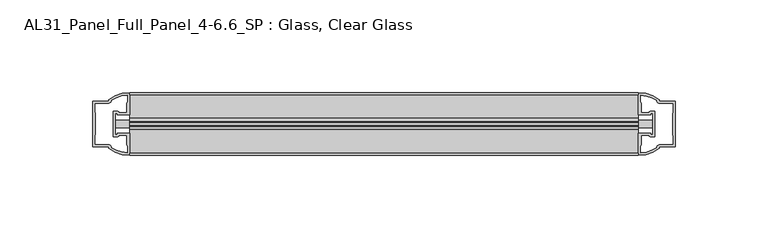
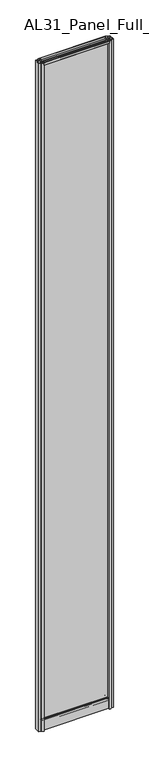
"""IFC4 building model written with IfcOpenShell, lengths in millimetres: plate geometry, AL31_Panel_Full_Panel_4-6.6_SP : Glass, Clear Glass."""

from ifc_helpers import new_model, si_unit, point, frame, frame_2d, origin, origin_with_axes, place, context, project, spatial, polyline, circle_curve, trimmed, segment, composite_curve, outline, extrude, source, transform, mapped, element, save


def al31_panel_full_panel_4_6_6_sp_glass_clear_glass_d6c4225a(model_context):
    return source(origin(), model_context, "Body", "SweptSolid", [
        extrude(outline(composite_curve([segment(polyline([(-1.4, 2968.8980762), (-0.85, 2967.9454483)]), True, "CONTINUOUS"), segment(trimmed(circle_curve(frame_2d((0.1, 2966.3)), 1.9), [point((-0.85, 2967.9454483))], [point((1.05, 2967.9454483))], True, "CARTESIAN"), True, "CONTINUOUS"), segment(polyline([(1.05, 2967.9454483), (1.6, 2968.8980762)]), True, "CONTINUOUS"), segment(trimmed(circle_curve(frame_2d((0.1, 2966.3)), 3.0), [point((1.6, 2968.8980762))], [point((2.5718414, 2964.6))], False, "CARTESIAN"), True, "CONTINUOUS"), segment(polyline([(2.5718414, 2964.6), (15.7, 2964.6), (15.7, 2974.0), (17.0, 2974.0), (17.0, 2963.5), (6.7024688, 2963.5), (6.7024688, 2962.7), (6.1968782, 2960.7785039), (6.1968782, 2956.1), (5.0, 2956.1), (5.0, 2961.4339746), (5.5, 2962.3), (5.5, 2963.5), (-5.5, 2963.5), (-5.5, 2962.3), (-5.0, 2961.4339746), (-5.0, 2956.1), (-6.1968782, 2956.1), (-6.1968782, 2960.7785039), (-6.7024688, 2962.7), (-6.7024688, 2963.5), (-17.0, 2963.5), (-17.0, 2974.0), (-15.7, 2974.0), (-15.7, 2964.6), (-2.3718414, 2964.6)]), True, "CONTINUOUS"), segment(trimmed(circle_curve(frame_2d((0.1, 2966.3)), 3.0), [point((-2.3718414, 2964.6))], [point((-1.4, 2968.8980762))], False, "CARTESIAN"), True, "CONTINUOUS")], self_intersect=False)), frame((-137.5000505, 0.0, 0.0), z_axis=(1.0, 0.0, 0.0), x_axis=(0.0, 1.0, 0.0)), (0.0, 0.0, 1.0), 275.0001009),
        extrude(outline(composite_curve([segment(polyline([(-145.3414718, -5.9), (-144.1414718, -5.9), (-144.1414718, -5.0), (-137.5000505, -5.0), (-137.5000505, -17.0001453)]), True, "CONTINUOUS"), segment(trimmed(circle_curve(frame_2d((-137.1353989, 2.9965302)), 20.0), [point((-137.5000505, -17.0001453))], [point((-148.8558857, -13.2093388))], False, "CARTESIAN"), True, "CONTINUOUS"), segment(polyline([(-148.8558857, -13.2093388), (-148.8558857, -12.3279343), (-157.5000505, -12.3279343), (-157.5000505, 12.3720657), (-148.8558857, 12.3720657), (-148.8558857, 13.2095249)]), True, "CONTINUOUS"), segment(trimmed(circle_curve(frame_2d((-137.1353989, -2.9963441)), 20.0), [point((-148.8558857, 13.2095249))], [point((-137.5000505, 17.0003314))], False, "CARTESIAN"), True, "CONTINUOUS"), segment(polyline([(-137.5000505, 17.0003314), (-137.5000505, 5.0), (-144.1414718, 5.0), (-144.1414718, 5.9), (-145.3414718, 5.9), (-145.3414718, -5.9)]), True, "CONTINUOUS")], self_intersect=False), holes=[composite_curve([segment(trimmed(circle_curve(frame_2d((-144.3414718, 5.7)), 1.5), [point((-144.3414718, 7.2))], [point((-142.9862175, 6.3428731))], False, "CARTESIAN"), True, "CONTINUOUS"), segment(polyline([(-142.9862175, 6.3428731), (-139.2414718, 6.3428731), (-139.2414718, 10.939223), (-138.802132, 11.9998832), (-138.802132, 15.6499817)]), True, "CONTINUOUS"), segment(trimmed(circle_curve(frame_2d((-137.1353989, -2.9755921)), 18.7), [point((-138.802132, 15.6499817))], [point((-147.1421766, 12.8216987))], True, "CARTESIAN"), True, "CONTINUOUS"), segment(trimmed(circle_curve(frame_2d((-148.9414718, 12.8720657)), 1.8), [point((-147.1421766, 12.8216987))], [point((-148.9414718, 11.0720657))], False, "CARTESIAN"), True, "CONTINUOUS"), segment(polyline([(-148.9414718, 11.0720657), (-156.0828931, 11.0720657), (-156.0828931, 6.5019606), (-155.6414718, 5.439223), (-155.6414718, -5.3950916), (-156.1414718, -6.3879987), (-156.1414718, -11.0279343), (-148.9414718, -11.0279343)]), True, "CONTINUOUS"), segment(trimmed(circle_curve(frame_2d((-148.9414718, -12.8279343)), 1.8), [point((-148.9414718, -11.0279343))], [point((-147.1421766, -12.7775673))], False, "CARTESIAN"), True, "CONTINUOUS"), segment(trimmed(circle_curve(frame_2d((-137.1353989, 3.0197235)), 18.7), [point((-147.1421766, -12.7775673))], [point((-138.802132, -15.6058503))], True, "CARTESIAN"), True, "CONTINUOUS"), segment(polyline([(-138.802132, -15.6058503), (-138.802132, -11.9557518), (-139.2414718, -10.8950916), (-139.2414718, -6.2991308), (-142.9663201, -6.2991308)]), True, "CONTINUOUS"), segment(trimmed(circle_curve(frame_2d((-144.3414718, -5.7)), 1.5), [point((-142.9663201, -6.2991308))], [point((-144.3414718, -7.2))], False, "CARTESIAN"), True, "CONTINUOUS"), segment(polyline([(-144.3414718, -7.2), (-146.6414718, -7.2), (-146.6414718, 7.2), (-144.3414718, 7.2)]), True, "CONTINUOUS")], self_intersect=False)]), origin_with_axes(), (0.0, 0.0, 1.0), 2974.0),
        extrude(outline(composite_curve([segment(polyline([(145.3414718, 5.9), (144.1414718, 5.9), (144.1414718, 5.0), (137.5000505, 5.0), (137.5000505, 17.0001453)]), True, "CONTINUOUS"), segment(trimmed(circle_curve(frame_2d((137.1353989, -2.9965302)), 20.0), [point((137.5000505, 17.0001453))], [point((148.8558857, 13.2093388))], False, "CARTESIAN"), True, "CONTINUOUS"), segment(polyline([(148.8558857, 13.2093388), (148.8558857, 12.3279343), (157.5000505, 12.3279343), (157.5000505, -12.3720657), (148.8558857, -12.3720657), (148.8558857, -13.2095249)]), True, "CONTINUOUS"), segment(trimmed(circle_curve(frame_2d((137.1353989, 2.9963441)), 20.0), [point((148.8558857, -13.2095249))], [point((137.5000505, -17.0003314))], False, "CARTESIAN"), True, "CONTINUOUS"), segment(polyline([(137.5000505, -17.0003314), (137.5000505, -5.0), (144.1414718, -5.0), (144.1414718, -5.9), (145.3414718, -5.9), (145.3414718, 5.9)]), True, "CONTINUOUS")], self_intersect=False), holes=[composite_curve([segment(trimmed(circle_curve(frame_2d((144.3414718, -5.7)), 1.5), [point((144.3414718, -7.2))], [point((142.9862175, -6.3428731))], False, "CARTESIAN"), True, "CONTINUOUS"), segment(polyline([(142.9862175, -6.3428731), (139.2414718, -6.3428731), (139.2414718, -10.939223), (138.802132, -11.9998832), (138.802132, -15.6499817)]), True, "CONTINUOUS"), segment(trimmed(circle_curve(frame_2d((137.1353989, 2.9755921)), 18.7), [point((138.802132, -15.6499817))], [point((147.1421766, -12.8216987))], True, "CARTESIAN"), True, "CONTINUOUS"), segment(trimmed(circle_curve(frame_2d((148.9414718, -12.8720657)), 1.8), [point((147.1421766, -12.8216987))], [point((148.9414718, -11.0720657))], False, "CARTESIAN"), True, "CONTINUOUS"), segment(polyline([(148.9414718, -11.0720657), (156.0828931, -11.0720657), (156.0828931, -6.5019606), (155.6414718, -5.439223), (155.6414718, 5.3950916), (156.1414718, 6.3879987), (156.1414718, 11.0279343), (148.9414718, 11.0279343)]), True, "CONTINUOUS"), segment(trimmed(circle_curve(frame_2d((148.9414718, 12.8279343)), 1.8), [point((148.9414718, 11.0279343))], [point((147.1421766, 12.7775673))], False, "CARTESIAN"), True, "CONTINUOUS"), segment(trimmed(circle_curve(frame_2d((137.1353989, -3.0197235)), 18.7), [point((147.1421766, 12.7775673))], [point((138.802132, 15.6058503))], True, "CARTESIAN"), True, "CONTINUOUS"), segment(polyline([(138.802132, 15.6058503), (138.802132, 11.9557518), (139.2414718, 10.8950916), (139.2414718, 6.2991308), (142.9663201, 6.2991308)]), True, "CONTINUOUS"), segment(trimmed(circle_curve(frame_2d((144.3414718, 5.7)), 1.5), [point((142.9663201, 6.2991308))], [point((144.3414718, 7.2))], False, "CARTESIAN"), True, "CONTINUOUS"), segment(polyline([(144.3414718, 7.2), (146.6414718, 7.2), (146.6414718, -7.2), (144.3414718, -7.2)]), True, "CONTINUOUS")], self_intersect=False)]), origin_with_axes(), (0.0, 0.0, 1.0), 2974.0),
        extrude(outline(composite_curve([segment(trimmed(circle_curve(frame_2d((-8.4, 34.8)), 1.0), [point((-8.4, 35.8))], [point((-9.4, 34.8))], True, "CARTESIAN"), True, "CONTINUOUS"), segment(polyline([(-9.4, 34.8), (-9.4, 33.5), (-5.0000303, 33.5), (-5.0000303, 32.3), (-9.4, 32.3), (-9.4, 0.0), (-10.6, 0.0), (-10.6, 47.3)]), True, "CONTINUOUS"), segment(trimmed(circle_curve(frame_2d((-8.6, 47.3)), 2.0), [point((-10.6, 47.3))], [point((-8.6, 49.3))], False, "CARTESIAN"), True, "CONTINUOUS"), segment(polyline([(-8.6, 49.3), (-5.0, 49.3), (-5.0, 41.9), (5.0, 41.9), (5.0, 49.3), (8.6, 49.3)]), True, "CONTINUOUS"), segment(trimmed(circle_curve(frame_2d((8.6, 47.3)), 2.0), [point((8.6, 49.3))], [point((10.6, 47.3))], False, "CARTESIAN"), True, "CONTINUOUS"), segment(polyline([(10.6, 47.3), (10.6, 0.0), (9.4, 0.0), (9.4, 32.3), (4.9999697, 32.3), (4.9999697, 33.5), (9.4, 33.5), (9.4, 34.8)]), True, "CONTINUOUS"), segment(trimmed(circle_curve(frame_2d((8.4, 34.8)), 1.0), [point((9.4, 34.8))], [point((8.4, 35.8))], True, "CARTESIAN"), True, "CONTINUOUS"), segment(polyline([(8.4, 35.8), (-8.4, 35.8)]), True, "CONTINUOUS")], self_intersect=False), holes=[composite_curve([segment(trimmed(circle_curve(frame_2d((5.5024688, 41.8)), 1.0), [point((6.5024688, 41.8))], [point((5.5024688, 40.8))], False, "CARTESIAN"), True, "CONTINUOUS"), segment(polyline([(5.5024688, 40.8), (2.8008965, 40.8), (2.8008965, 39.7274194), (1.8370508, 39.7274194)]), True, "CONTINUOUS"), segment(trimmed(circle_curve(frame_2d((0.0, 38.7)), 2.1048387), [point((1.8370508, 39.7274194))], [point((-1.8370508, 39.7274194))], True, "CARTESIAN"), True, "CONTINUOUS"), segment(polyline([(-1.8370508, 39.7274194), (-2.8008965, 39.7274194), (-2.8008965, 40.8), (-5.5024688, 40.8)]), True, "CONTINUOUS"), segment(trimmed(circle_curve(frame_2d((-5.5024688, 41.8)), 1.0), [point((-5.5024688, 40.8))], [point((-6.5024688, 41.8))], False, "CARTESIAN"), True, "CONTINUOUS"), segment(polyline([(-6.5024688, 41.8), (-6.5024688, 42.7)]), True, "CONTINUOUS"), segment(trimmed(circle_curve(frame_2d((-5.3024688, 42.7)), 1.2), [point((-6.5024688, 42.7))], [point((-6.1198184, 43.5786009))], False, "CARTESIAN"), True, "CONTINUOUS"), segment(polyline([(-6.1198184, 43.5786009), (-6.1198184, 48.2), (-8.4, 48.2)]), True, "CONTINUOUS"), segment(trimmed(circle_curve(frame_2d((-8.4, 47.2)), 1.0), [point((-8.4, 48.2))], [point((-9.4, 47.2))], True, "CARTESIAN"), True, "CONTINUOUS"), segment(polyline([(-9.4, 47.2), (-9.4, 37.04), (-2.8008965, 37.04), (-2.8008965, 38.0725806), (-1.8370508, 38.0725806)]), True, "CONTINUOUS"), segment(trimmed(circle_curve(frame_2d((0.0, 39.1)), 2.1048387), [point((-1.8370508, 38.0725806))], [point((1.8370508, 38.0725806))], True, "CARTESIAN"), True, "CONTINUOUS"), segment(polyline([(1.8370508, 38.0725806), (2.8008965, 38.0725806), (2.8008965, 37.04), (9.4, 37.04), (9.4, 47.2)]), True, "CONTINUOUS"), segment(trimmed(circle_curve(frame_2d((8.4, 47.2)), 1.0), [point((9.4, 47.2))], [point((8.4, 48.2))], True, "CARTESIAN"), True, "CONTINUOUS"), segment(polyline([(8.4, 48.2), (6.1198184, 48.2), (6.1198184, 43.7786009)]), True, "CONTINUOUS"), segment(trimmed(circle_curve(frame_2d((5.3024688, 42.9)), 1.2), [point((6.1198184, 43.7786009))], [point((6.5024688, 42.9))], False, "CARTESIAN"), True, "CONTINUOUS"), segment(polyline([(6.5024688, 42.9), (6.5024688, 41.8)]), True, "CONTINUOUS")], self_intersect=False)]), frame((-137.5000505, 0.0, 0.0), z_axis=(1.0, 0.0, 0.0), x_axis=(0.0, 1.0, 0.0)), (0.0, 0.0, 1.0), 275.0001009),
        extrude(outline(polyline([(145.3414718, 2.0), (145.3414718, -2.0), (-145.3414718, -2.0), (-145.3414718, 2.0), (145.3414718, 2.0)])), frame((0.0, 0.0, 41.9), z_axis=(0.0, 0.0, 1.0), x_axis=(1.0, 0.0, 0.0)), (0.0, 0.0, 1.0), 2921.6),
    ])


if __name__ == "__main__":
    model = new_model("IFC4")
    model_context = context("Model", 3, world=origin())
    ifc_project = project(units=[si_unit("LENGTHUNIT", "METRE", prefix="MILLI")], contexts=[model_context])
    site = spatial("IfcSite", under=ifc_project)
    building = spatial("IfcBuilding", under=site)
    placement = place(None, origin())
    al31_panel_full_panel_4_6_6_sp_glass_clear_glass_shape = al31_panel_full_panel_4_6_6_sp_glass_clear_glass_d6c4225a(model_context)
    element("IfcPlate", 1, ObjectType="AL31_Panel_Full_Panel_4-6.6_SP : Glass, Clear Glass", at=placement, inside=building, context=model_context, shape_type="MappedRepresentation", body=[
        mapped(al31_panel_full_panel_4_6_6_sp_glass_clear_glass_shape, transform((0.0, 0.0, 0.0), x_axis=(1.0, 0.0, 0.0), y_axis=(0.0, 1.0, 0.0), z_axis=(0.0, 0.0, 1.0))),
    ])
    save(model, "model.ifc")
